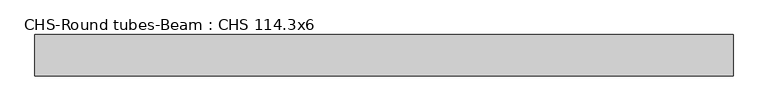
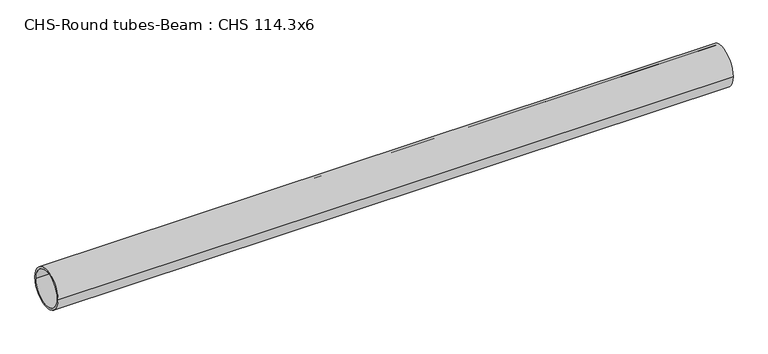
"""IFC4 building model written with IfcOpenShell, lengths in millimetres: beam geometry, CHS-Round tubes-Beam : CHS 114.3x6."""

from ifc_helpers import new_model, si_unit, point, frame, origin, origin_2d, place, context, project, spatial, circle_curve, trimmed, segment, composite_curve, outline, extrude, source, transform, mapped, element, save


def chs_round_tubes_beam_chs_114_3x6_0f0af59b(model_context):
    return source(origin(), model_context, "Body", "SweptSolid", [
        extrude(outline(composite_curve([segment(trimmed(circle_curve(origin_2d(), 57.15), [point((57.15, 0.0))], [point((-57.15, 0.0))], False, "CARTESIAN"), True, "CONTINUOUS"), segment(trimmed(circle_curve(origin_2d(), 57.15), [point((-57.15, 0.0))], [point((57.15, 0.0))], False, "CARTESIAN"), True, "CONTINUOUS")], self_intersect=False), holes=[composite_curve([segment(trimmed(circle_curve(origin_2d(), 51.15), [point((51.15, 0.0))], [point((-51.15, 0.0))], True, "CARTESIAN"), True, "CONTINUOUS"), segment(trimmed(circle_curve(origin_2d(), 51.15), [point((-51.15, 0.0))], [point((51.15, 0.0))], True, "CARTESIAN"), True, "CONTINUOUS")], self_intersect=False)]), frame((-969.5242092, 0.0, 0.0), z_axis=(1.0, 0.0, 0.0), x_axis=(0.0, 1.0, 0.0)), (0.0, 0.0, 1.0), 1933.1929445),
    ])


if __name__ == "__main__":
    model = new_model("IFC4")
    model_context = context("Model", 3, world=origin())
    ifc_project = project(units=[si_unit("LENGTHUNIT", "METRE", prefix="MILLI")], contexts=[model_context])
    site = spatial("IfcSite", under=ifc_project)
    building = spatial("IfcBuilding", under=site)
    placement = place(None, origin())
    chs_round_tubes_beam_chs_114_3x6_shape = chs_round_tubes_beam_chs_114_3x6_0f0af59b(model_context)
    element("IfcBeam", 1, ObjectType="CHS-Round tubes-Beam : CHS 114.3x6", at=placement, inside=building, context=model_context, shape_type="MappedRepresentation", body=[
        mapped(chs_round_tubes_beam_chs_114_3x6_shape, transform((0.0, 0.0, 0.0), x_axis=(1.0, 0.0, 0.0), y_axis=(0.0, 1.0, 0.0), z_axis=(0.0, 0.0, 1.0))),
    ])
    save(model, "model.ifc")
